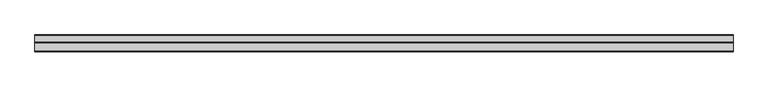
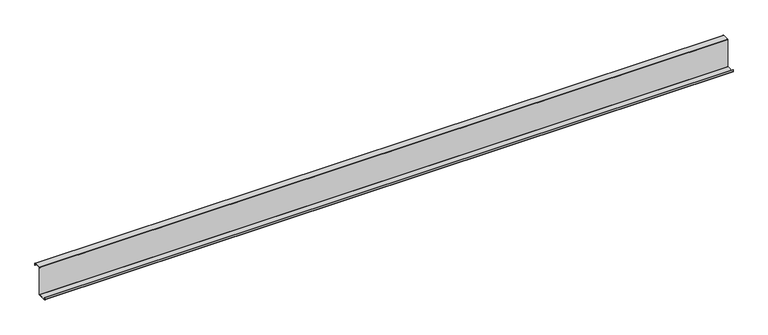
"""IFC4 building model written with IfcOpenShell, lengths in millimetres: member geometry."""

from ifc_helpers import new_model, si_unit, point, frame, frame_2d, origin, place, context, project, spatial, polyline, circle_curve, trimmed, segment, composite_curve, outline, extrude, source, transform, mapped, element, save


def member_649a6b1e(model_context):
    return source(origin(), model_context, "Body", "SweptSolid", [
        extrude(outline(composite_curve([segment(trimmed(circle_curve(frame_2d((-3.5, -123.5)), 3.5), [point((0.0, -123.5))], [point((-3.5, -127.0))], False, "CARTESIAN"), True, "CONTINUOUS"), segment(polyline([(-3.5, -127.0), (-75.0, -127.0)]), True, "CONTINUOUS"), segment(trimmed(circle_curve(frame_2d((-75.0, -123.5)), 3.5), [point((-75.0, -127.0))], [point((-78.5, -123.5))], False, "CARTESIAN"), True, "CONTINUOUS"), segment(polyline([(-78.5, -123.5), (-78.5, -107.5), (-77.0, -107.5), (-77.0, -123.5)]), True, "CONTINUOUS"), segment(trimmed(circle_curve(frame_2d((-75.0, -123.5)), 2.0), [point((-77.0, -123.5))], [point((-75.0, -125.5))], True, "CARTESIAN"), True, "CONTINUOUS"), segment(polyline([(-75.0, -125.5), (-3.5, -125.5)]), True, "CONTINUOUS"), segment(trimmed(circle_curve(frame_2d((-3.5, -123.5)), 2.0), [point((-3.5, -125.5))], [point((-1.5, -123.5))], True, "CARTESIAN"), True, "CONTINUOUS"), segment(polyline([(-1.5, -123.5), (-1.5, 123.5)]), True, "CONTINUOUS"), segment(trimmed(circle_curve(frame_2d((2.0, 123.5)), 3.5), [point((-1.5, 123.5))], [point((2.0, 127.0))], False, "CARTESIAN"), True, "CONTINUOUS"), segment(polyline([(2.0, 127.0), (63.5, 127.0)]), True, "CONTINUOUS"), segment(trimmed(circle_curve(frame_2d((63.5, 123.5)), 3.5), [point((63.5, 127.0))], [point((67.0, 123.5))], False, "CARTESIAN"), True, "CONTINUOUS"), segment(polyline([(67.0, 123.5), (67.0, 107.0), (65.5, 107.0), (65.5, 123.5)]), True, "CONTINUOUS"), segment(trimmed(circle_curve(frame_2d((63.5, 123.5)), 2.0), [point((65.5, 123.5))], [point((63.5, 125.5))], True, "CARTESIAN"), True, "CONTINUOUS"), segment(polyline([(63.5, 125.5), (2.0, 125.5)]), True, "CONTINUOUS"), segment(trimmed(circle_curve(frame_2d((2.0, 123.5)), 2.0), [point((2.0, 125.5))], [point((0.0, 123.5))], True, "CARTESIAN"), True, "CONTINUOUS"), segment(polyline([(0.0, 123.5), (0.0, -123.5)]), True, "CONTINUOUS")], self_intersect=False)), frame((-3006.0, 0.0, 0.0), z_axis=(1.0, 0.0, 0.0), x_axis=(0.0, 1.0, 0.0)), (0.0, 0.0, 1.0), 6012.0),
    ])


if __name__ == "__main__":
    model = new_model("IFC4")
    model_context = context("Model", 3, world=origin())
    ifc_project = project(units=[si_unit("LENGTHUNIT", "METRE", prefix="MILLI")], contexts=[model_context])
    site = spatial("IfcSite", under=ifc_project)
    building = spatial("IfcBuilding", under=site)
    placement = place(None, origin())
    member_shape = member_649a6b1e(model_context)
    element("IfcMember", 1, at=placement, inside=building, context=model_context, shape_type="MappedRepresentation", body=[
        mapped(member_shape, transform((0.0, 0.0, 0.0), x_axis=(1.0, 0.0, 0.0), y_axis=(0.0, 1.0, 0.0), z_axis=(0.0, 0.0, 1.0))),
    ])
    save(model, "model.ifc")
